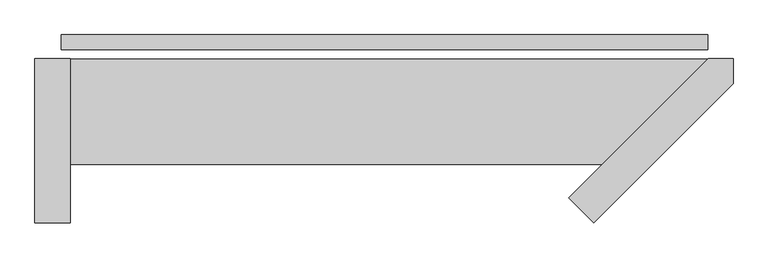
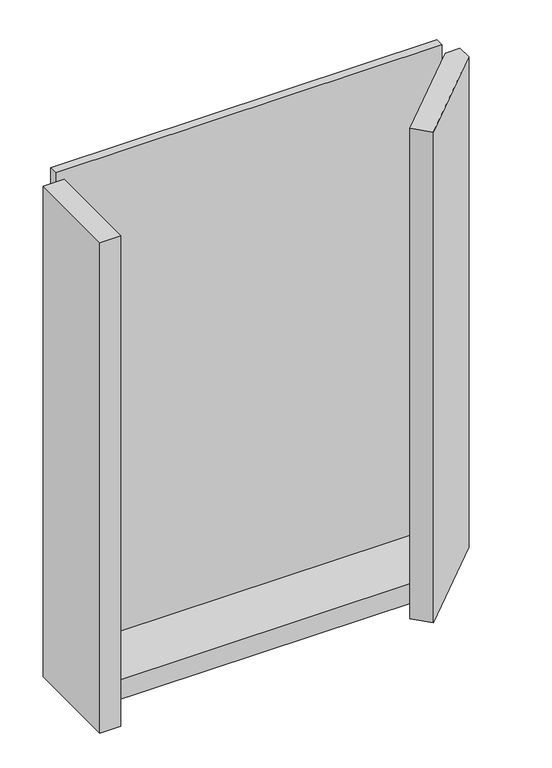
"""IFC4 building model written with IfcOpenShell, lengths in millimetres: plate geometry."""

import ifcopenshell
import ifcopenshell.guid

model = None  # the IFC model being written
_history = None  # IfcOwnerHistory: only IFC2X3 demands one
_inside = {}  # id of a spatial element -> (the spatial element, [elements in it])
_under = {}  # id of a project, library or spatial element -> (it, [spatial elements below it])
_declared = {}  # id of a project -> (the project, [libraries it declares])
_typed = {}  # id of a type object -> (the type object, [elements of that type])
_made_of = {}  # id of a material, layer set ... -> (it, [elements and type objects made of it])


def new_model(schema):
    """Start an empty IFC model of exactly this schema.

    Asked for "IFC4X3", IfcOpenShell would pick the latest addendum, in which some entities
    have other attributes; the version numbers below select the first issue.
    IFC2X3 requires an IfcOwnerHistory on every rooted entity: one is made here for all.
    """
    global model, _history
    if schema == "IFC4X3":
        model = ifcopenshell.file(schema_version=(4, 3, 0, 0))
    else:
        model = ifcopenshell.file(schema=schema)
    _inside.clear()
    _under.clear()
    _declared.clear()
    _typed.clear()
    _made_of.clear()
    _history = None
    if model.schema == "IFC2X3":
        org = make("IfcOrganization", Name="unknown")
        user = make(
            "IfcPersonAndOrganization",
            ThePerson=make("IfcPerson", FamilyName="unknown"),
            TheOrganization=org,
        )
        app = make(
            "IfcApplication",
            ApplicationDeveloper=org,
            Version="unknown",
            ApplicationFullName="unknown",
            ApplicationIdentifier="unknown",
        )
        _history = make(
            "IfcOwnerHistory",
            OwningUser=user,
            OwningApplication=app,
            ChangeAction="ADDED",
            CreationDate=0,
        )
    return model


def make(cls, **values):
    """One entity of the class cls with the attributes given. An attribute that is None is left unset."""
    return model.create_entity(
        cls, **{name: value for name, value in values.items() if value is not None}
    )


def rooted(cls, **values):
    """An entity with a GlobalId (a new one), such as an element, a storey or a relation."""
    return make(cls, GlobalId=ifcopenshell.guid.new(), OwnerHistory=_history, **values)


def si_unit(unit_type, name, prefix=None):
    """IfcSIUnit, for example si_unit("LENGTHUNIT", "METRE", prefix="MILLI")."""
    return make("IfcSIUnit", UnitType=unit_type, Prefix=prefix, Name=name)


def assignment(units):
    """IfcUnitAssignment: the units of a project."""
    return None if units is None else make("IfcUnitAssignment", Units=units)


def point(xyz):
    """IfcCartesianPoint."""
    return None if xyz is None else make("IfcCartesianPoint", Coordinates=xyz)


def direction(xyz):
    """IfcDirection."""
    return None if xyz is None else make("IfcDirection", DirectionRatios=xyz)


def frame(location, z_axis=None, x_axis=None):
    """IfcAxis2Placement3D, a coordinate frame: its origin and axes. An axis left out is left unset."""
    return make(
        "IfcAxis2Placement3D",
        Location=point(location),
        Axis=direction(z_axis),
        RefDirection=direction(x_axis),
    )


def origin():
    """The frame at (0, 0, 0) with its axes left unset."""
    return frame((0.0, 0.0, 0.0))


def origin_with_axes():
    """The frame at (0, 0, 0) with the z axis (0, 0, 1) and the x axis (1, 0, 0) written out."""
    return frame((0.0, 0.0, 0.0), z_axis=(0.0, 0.0, 1.0), x_axis=(1.0, 0.0, 0.0))


def place(relative_to, where):
    """IfcLocalPlacement: puts the frame where relative to a parent placement (None: the world)."""
    return make(
        "IfcLocalPlacement", PlacementRelTo=relative_to, RelativePlacement=where
    )


def context(
    kind, dimensions, precision=None, world=None, true_north=None, identifier=None
):
    """IfcGeometricRepresentationContext, for example the 3D "Model" context."""
    return make(
        "IfcGeometricRepresentationContext",
        ContextIdentifier=identifier,
        ContextType=kind,
        CoordinateSpaceDimension=dimensions,
        Precision=precision,
        WorldCoordinateSystem=world,
        TrueNorth=true_north,
    )


def project(units=None, contexts=None):
    """IfcProject with its units and contexts."""
    return rooted(
        "IfcProject",
        Name="project",
        RepresentationContexts=contexts,
        UnitsInContext=assignment(units),
    )


def spatial(cls, under=None, at=None, **own):
    """A site, building, storey or space (cls), placed at a placement, below another one or the project."""
    s = rooted(cls, ObjectPlacement=at, **own)
    if under is not None:
        _under.setdefault(under.id(), (under, []))[1].append(s)
    return s


def polyline(points):
    """IfcPolyline through the points."""
    return make("IfcPolyline", Points=[point(p) for p in points])


def outline(outer, holes=None, kind="AREA"):
    """IfcArbitraryClosedProfileDef: a profile drawn as a closed curve; with holes, ...WithVoids."""
    if holes is None:
        return make("IfcArbitraryClosedProfileDef", ProfileType=kind, OuterCurve=outer)
    return make(
        "IfcArbitraryProfileDefWithVoids",
        ProfileType=kind,
        OuterCurve=outer,
        InnerCurves=holes,
    )


def extrude(swept, where, along, depth):
    """IfcExtrudedAreaSolid: the profile swept, set in the frame where, extruded along a direction by depth."""
    return make(
        "IfcExtrudedAreaSolid",
        SweptArea=swept,
        Position=where,
        ExtrudedDirection=direction(along),
        Depth=depth,
    )


def shape(context_of_items, identifier, shape_type, items):
    """IfcShapeRepresentation: the items that make up one representation, for example the "Body"."""
    return make(
        "IfcShapeRepresentation",
        ContextOfItems=context_of_items,
        RepresentationIdentifier=identifier,
        RepresentationType=shape_type,
        Items=items,
    )


def source(mapping_origin, context_of_items, identifier, shape_type, items):
    """IfcRepresentationMap: a shape defined once, which mapped items show again and again."""
    return make(
        "IfcRepresentationMap",
        MappingOrigin=mapping_origin,
        MappedRepresentation=shape(context_of_items, identifier, shape_type, items),
    )


def transform(
    local_origin,
    x_axis=None,
    y_axis=None,
    z_axis=None,
    scale=None,
    scale2=None,
    scale3=None,
    uniform=True,
):
    """IfcCartesianTransformationOperator3D, or its non-uniform kind. x_axis, y_axis, z_axis: its Axis1, 2, 3."""
    if uniform:
        return make(
            "IfcCartesianTransformationOperator3D",
            Axis1=direction(x_axis),
            Axis2=direction(y_axis),
            LocalOrigin=point(local_origin),
            Scale=scale,
            Axis3=direction(z_axis),
        )
    return make(
        "IfcCartesianTransformationOperator3DnonUniform",
        Axis1=direction(x_axis),
        Axis2=direction(y_axis),
        LocalOrigin=point(local_origin),
        Scale=scale,
        Axis3=direction(z_axis),
        Scale2=scale2,
        Scale3=scale3,
    )


def mapped(mapping_source, mapping_target):
    """IfcMappedItem: shows the shape of a source again, moved by a transform."""
    return make(
        "IfcMappedItem", MappingSource=mapping_source, MappingTarget=mapping_target
    )


def made_of(thing, what):
    """Note that an element or type object is made of a material, layer set ...; save() writes the relation."""
    if what is not None:
        _made_of.setdefault(what.id(), (what, []))[1].append(thing)
    return thing


def element(
    cls,
    number,
    at=None,
    inside=None,
    cuts=None,
    type_object=None,
    material=None,
    context=None,
    identifier="Body",
    shape_type=None,
    held_by="IfcProductDefinitionShape",
    body=None,
    shapes=None,
    **own,
):
    """One element of the class cls, such as IfcWall. Its Tag is "e" and its number.

    at: its placement. inside: the storey or other place that contains it. cuts: it is an
    opening in that element (IfcRelVoidsElement). A single representation is given by context,
    identifier, shape_type and body (its items); several are given by shapes. held_by: the class
    of the entity that holds the representations. save() writes the other relations.
    """
    e = rooted(cls, Tag="e%d" % number, ObjectPlacement=at, **own)
    if body is not None:
        shapes = [shape(context, identifier, shape_type, body)]
    if shapes is not None:
        e.Representation = make(held_by, Representations=shapes)
    if inside is not None:
        _inside.setdefault(inside.id(), (inside, []))[1].append(e)
    if cuts is not None:
        rooted(
            "IfcRelVoidsElement", RelatingBuildingElement=cuts, RelatedOpeningElement=e
        )
    if type_object is not None:
        _typed.setdefault(type_object.id(), (type_object, []))[1].append(e)
    return made_of(e, material)


def aggregate(whole, parts):
    """IfcRelAggregates: a whole, such as a stair, and the parts it consists of."""
    return rooted("IfcRelAggregates", RelatingObject=whole, RelatedObjects=parts)


def save(model, path):
    """Write the relations noted so far, then the file.

    IfcRelAggregates (storeys below a building ...), IfcRelContainedInSpatialStructure (elements
    in a storey), IfcRelDefinesByType, IfcRelAssociatesMaterial and IfcRelDeclares: one each for
    every whole, place, type object, material and project.
    """
    for whole, parts in _under.values():
        aggregate(whole, parts)
    for where, things in _inside.values():
        rooted(
            "IfcRelContainedInSpatialStructure",
            RelatedElements=things,
            RelatingStructure=where,
        )
    for kind, things in _typed.values():
        rooted("IfcRelDefinesByType", RelatedObjects=things, RelatingType=kind)
    for what, things in _made_of.values():
        rooted("IfcRelAssociatesMaterial", RelatedObjects=things, RelatingMaterial=what)
    for by, libraries in _declared.values():
        rooted("IfcRelDeclares", RelatingContext=by, RelatedDefinitions=libraries)
    model.write(path)


def plate_38e385d5(model_context):
    return source(origin(), model_context, "Body", "SweptSolid", [
        extrude(outline(polyline([(550.5, 0.0), (550.5, -25.0), (-550.5, -25.0), (-550.5, 0.0), (550.5, 0.0)])), origin_with_axes(), (0.0, 0.0, 1.0), 1447.534293),
        extrude(outline(polyline([(313.5, -278.5735931), (551.0735931, -41.0), (593.5, -41.0), (593.5, -83.4264069), (355.9264069, -321.0), (313.5, -278.5735931)])), frame((0.0, 0.0, -45.0), z_axis=(0.0, 0.0, 1.0), x_axis=(1.0, 0.0, 0.0)), (0.0, 0.0, 1.0), 1477.534293),
        extrude(outline(polyline([(-535.5, -221.0), (-535.5, -41.0), (551.0735931, -41.0), (371.0735931, -221.0), (-535.5, -221.0)])), frame((0.0, 0.0, -45.0), z_axis=(0.0, 0.0, 1.0), x_axis=(1.0, 0.0, 0.0)), (0.0, 0.0, 1.0), 60.0),
        extrude(outline(polyline([(-595.5, -41.0), (-535.5, -41.0), (-535.5, -321.0), (-595.5, -321.0), (-595.5, -41.0)])), frame((0.0, 0.0, -45.0), z_axis=(0.0, 0.0, 1.0), x_axis=(1.0, 0.0, 0.0)), (0.0, 0.0, 1.0), 1477.534293),
    ])


if __name__ == "__main__":
    model = new_model("IFC4")
    model_context = context("Model", 3, world=origin())
    ifc_project = project(units=[si_unit("LENGTHUNIT", "METRE", prefix="MILLI")], contexts=[model_context])
    site = spatial("IfcSite", under=ifc_project)
    building = spatial("IfcBuilding", under=site)
    placement = place(None, origin())
    plate_shape = plate_38e385d5(model_context)
    element("IfcPlate", 1, at=placement, inside=building, context=model_context, shape_type="MappedRepresentation", body=[
        mapped(plate_shape, transform((0.0, 0.0, 0.0), x_axis=(1.0, 0.0, 0.0), y_axis=(0.0, 1.0, 0.0), z_axis=(0.0, 0.0, 1.0))),
    ])
    save(model, "model.ifc")
